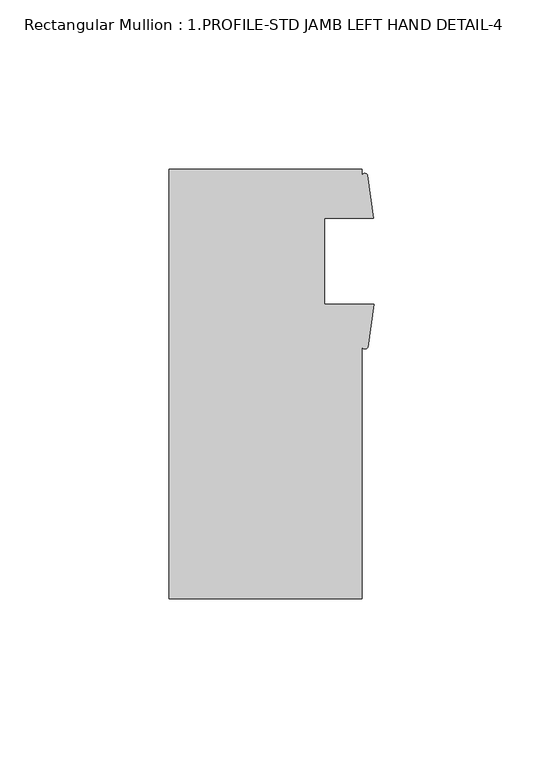
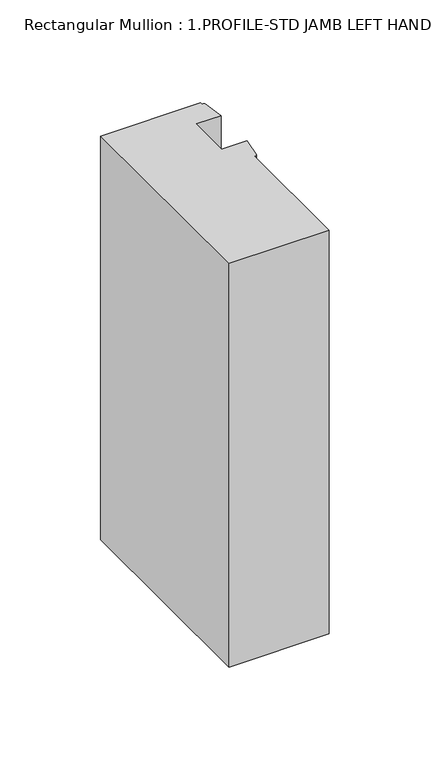
"""IFC4 building model written with IfcOpenShell, lengths in millimetres: member geometry, Rectangular Mullion : 1.PROFILE-STD JAMB LEFT HAND DETAIL-4."""

from ifc_helpers import new_model, si_unit, point, frame, frame_2d, origin, place, context, project, spatial, polyline, circle_curve, trimmed, segment, composite_curve, outline, extrude, source, transform, mapped, element, save


def rectangular_mullion_1_profile_std_jamb_left_hand_detail_4_c0864d5e(model_context):
    return source(origin(), model_context, "Body", "SweptSolid", [
        extrude(outline(composite_curve([segment(polyline([(-60.6695217, -66.5659319), (-60.6695217, 60.4340681), (-3.5195217, 60.4340681), (-3.5195217, 58.6589775)]), True, "CONTINUOUS"), segment(trimmed(circle_curve(frame_2d((-2.7235368, 58.2678127)), 0.8869058), [point((-3.5195217, 58.6589775))], [point((-1.9275518, 58.6589775))], False, "CARTESIAN"), True, "CONTINUOUS"), segment(polyline([(-1.9275518, 58.6589775), (-0.1235217, 45.9305431), (-14.6320217, 45.9305431), (-14.6320217, 20.5305431), (0.0, 20.5305431), (-1.8561173, 7.7574903)]), True, "CONTINUOUS"), segment(trimmed(circle_curve(frame_2d((-2.6878195, 8.2742316)), 0.9791578), [point((-1.8561173, 7.7574903))], [point((-3.5195217, 7.7574903))], False, "CARTESIAN"), True, "CONTINUOUS"), segment(polyline([(-3.5195217, 7.7574903), (-3.5195217, -66.5659319), (-60.6695217, -66.5659319)]), True, "CONTINUOUS")], self_intersect=False)), frame((0.0, 0.0, -244.1304783), z_axis=(0.0, 0.0, 1.0), x_axis=(1.0, 0.0, 0.0)), (0.0, 0.0, 1.0), 244.1304783),
    ])


if __name__ == "__main__":
    model = new_model("IFC4")
    model_context = context("Model", 3, world=origin())
    ifc_project = project(units=[si_unit("LENGTHUNIT", "METRE", prefix="MILLI")], contexts=[model_context])
    site = spatial("IfcSite", under=ifc_project)
    building = spatial("IfcBuilding", under=site)
    placement = place(None, origin())
    rectangular_mullion_1_profile_std_jamb_left_hand_detail_4_shape = rectangular_mullion_1_profile_std_jamb_left_hand_detail_4_c0864d5e(model_context)
    element("IfcMember", 1, ObjectType="Rectangular Mullion : 1.PROFILE-STD JAMB LEFT HAND DETAIL-4", at=placement, inside=building, context=model_context, shape_type="MappedRepresentation", body=[
        mapped(rectangular_mullion_1_profile_std_jamb_left_hand_detail_4_shape, transform((0.0, 0.0, 0.0), x_axis=(1.0, 0.0, 0.0), y_axis=(0.0, 1.0, 0.0), z_axis=(0.0, 0.0, 1.0))),
    ])
    save(model, "model.ifc")
